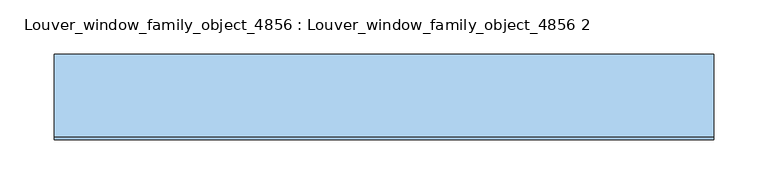
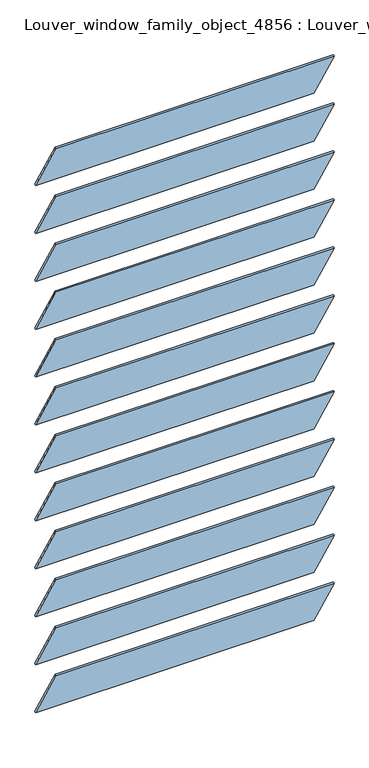
"""IFC4 building model written with IfcOpenShell, lengths in millimetres: window geometry, Louver_window_family_object_4856 : Louver_window_family_object_4856 2."""

from ifc_helpers import new_model, si_unit, point, frame, frame_2d, origin, place, context, project, spatial, polyline, circle_curve, trimmed, segment, composite_curve, outline, extrude, source, transform, mapped, element, save


def louver_window_family_object_4856_louver_window_family_object_eb8e4f56(model_context):
    return source(origin(), model_context, "Body", "SweptSolid", [
        extrude(outline(composite_curve([segment(trimmed(circle_curve(frame_2d((0.0, 2403.7636364)), 76.2), [point((-39.4665462, 2468.9466996))], [point((-36.7169155, 2470.5341996))], False, "CARTESIAN"), True, "CONTINUOUS"), segment(polyline([(-36.7169155, 2470.5341996), (39.4665462, 2338.5805731)]), True, "CONTINUOUS"), segment(trimmed(circle_curve(frame_2d((0.0, 2403.7636364)), 76.2), [point((39.4665462, 2338.5805731))], [point((36.7169155, 2336.9930731))], False, "CARTESIAN"), True, "CONTINUOUS"), segment(polyline([(36.7169155, 2336.9930731), (-39.4665462, 2468.9466996)]), True, "CONTINUOUS")], self_intersect=False)), frame((-304.8, 0.0, 0.0), z_axis=(1.0, 0.0, 0.0), x_axis=(0.0, 1.0, 0.0)), (0.0, 0.0, 1.0), 609.6),
        extrude(outline(composite_curve([segment(trimmed(circle_curve(frame_2d((0.0, 2292.9272727)), 76.2), [point((-39.4665462, 2358.1103359))], [point((-36.7169155, 2359.6978359))], False, "CARTESIAN"), True, "CONTINUOUS"), segment(polyline([(-36.7169155, 2359.6978359), (39.4665462, 2227.7442095)]), True, "CONTINUOUS"), segment(trimmed(circle_curve(frame_2d((0.0, 2292.9272727)), 76.2), [point((39.4665462, 2227.7442095))], [point((36.7169155, 2226.1567095))], False, "CARTESIAN"), True, "CONTINUOUS"), segment(polyline([(36.7169155, 2226.1567095), (-39.4665462, 2358.1103359)]), True, "CONTINUOUS")], self_intersect=False)), frame((-304.8, 0.0, 0.0), z_axis=(1.0, 0.0, 0.0), x_axis=(0.0, 1.0, 0.0)), (0.0, 0.0, 1.0), 609.6),
        extrude(outline(composite_curve([segment(trimmed(circle_curve(frame_2d((0.0, 2182.0909091)), 76.2), [point((-39.4665462, 2247.2739723))], [point((-36.7169155, 2248.8614723))], False, "CARTESIAN"), True, "CONTINUOUS"), segment(polyline([(-36.7169155, 2248.8614723), (39.4665462, 2116.9078459)]), True, "CONTINUOUS"), segment(trimmed(circle_curve(frame_2d((0.0, 2182.0909091)), 76.2), [point((39.4665462, 2116.9078459))], [point((36.7169155, 2115.3203459))], False, "CARTESIAN"), True, "CONTINUOUS"), segment(polyline([(36.7169155, 2115.3203459), (-39.4665462, 2247.2739723)]), True, "CONTINUOUS")], self_intersect=False)), frame((-304.8, 0.0, 0.0), z_axis=(1.0, 0.0, 0.0), x_axis=(0.0, 1.0, 0.0)), (0.0, 0.0, 1.0), 609.6),
        extrude(outline(composite_curve([segment(trimmed(circle_curve(frame_2d((0.0, 2071.2545455)), 76.2), [point((-39.4665462, 2136.4376087))], [point((-36.7169155, 2138.0251087))], False, "CARTESIAN"), True, "CONTINUOUS"), segment(polyline([(-36.7169155, 2138.0251087), (39.4665462, 2006.0714822)]), True, "CONTINUOUS"), segment(trimmed(circle_curve(frame_2d((0.0, 2071.2545455)), 76.2), [point((39.4665462, 2006.0714822))], [point((36.7169155, 2004.4839822))], False, "CARTESIAN"), True, "CONTINUOUS"), segment(polyline([(36.7169155, 2004.4839822), (-39.4665462, 2136.4376087)]), True, "CONTINUOUS")], self_intersect=False)), frame((-304.8, 0.0, 0.0), z_axis=(1.0, 0.0, 0.0), x_axis=(0.0, 1.0, 0.0)), (0.0, 0.0, 1.0), 609.6),
        extrude(outline(composite_curve([segment(trimmed(circle_curve(frame_2d((0.0, 1960.4181818)), 76.2), [point((-39.4665462, 2025.601245))], [point((-36.7169155, 2027.188745))], False, "CARTESIAN"), True, "CONTINUOUS"), segment(polyline([(-36.7169155, 2027.188745), (39.4665462, 1895.2351186)]), True, "CONTINUOUS"), segment(trimmed(circle_curve(frame_2d((0.0, 1960.4181818)), 76.2), [point((39.4665462, 1895.2351186))], [point((36.7169155, 1893.6476186))], False, "CARTESIAN"), True, "CONTINUOUS"), segment(polyline([(36.7169155, 1893.6476186), (-39.4665462, 2025.601245)]), True, "CONTINUOUS")], self_intersect=False)), frame((-304.8, 0.0, 0.0), z_axis=(1.0, 0.0, 0.0), x_axis=(0.0, 1.0, 0.0)), (0.0, 0.0, 1.0), 609.6),
        extrude(outline(composite_curve([segment(trimmed(circle_curve(frame_2d((0.0, 1849.5818182)), 76.2), [point((-39.4665462, 1914.7648814))], [point((-36.7169155, 1916.3523814))], False, "CARTESIAN"), True, "CONTINUOUS"), segment(polyline([(-36.7169155, 1916.3523814), (39.4665462, 1784.398755)]), True, "CONTINUOUS"), segment(trimmed(circle_curve(frame_2d((0.0, 1849.5818182)), 76.2), [point((39.4665462, 1784.398755))], [point((36.7169155, 1782.811255))], False, "CARTESIAN"), True, "CONTINUOUS"), segment(polyline([(36.7169155, 1782.811255), (-39.4665462, 1914.7648814)]), True, "CONTINUOUS")], self_intersect=False)), frame((-304.8, 0.0, 0.0), z_axis=(1.0, 0.0, 0.0), x_axis=(0.0, 1.0, 0.0)), (0.0, 0.0, 1.0), 609.6),
        extrude(outline(composite_curve([segment(trimmed(circle_curve(frame_2d((0.0, 1738.7454545)), 76.2), [point((-39.4665462, 1803.9285178))], [point((-36.7169155, 1805.5160178))], False, "CARTESIAN"), True, "CONTINUOUS"), segment(polyline([(-36.7169155, 1805.5160178), (39.4665462, 1673.5623913)]), True, "CONTINUOUS"), segment(trimmed(circle_curve(frame_2d((0.0, 1738.7454545)), 76.2), [point((39.4665462, 1673.5623913))], [point((36.7169155, 1671.9748913))], False, "CARTESIAN"), True, "CONTINUOUS"), segment(polyline([(36.7169155, 1671.9748913), (-39.4665462, 1803.9285178)]), True, "CONTINUOUS")], self_intersect=False)), frame((-304.8, 0.0, 0.0), z_axis=(1.0, 0.0, 0.0), x_axis=(0.0, 1.0, 0.0)), (0.0, 0.0, 1.0), 609.6),
        extrude(outline(composite_curve([segment(trimmed(circle_curve(frame_2d((0.0, 1627.9090909)), 76.2), [point((-39.4665462, 1693.0921541))], [point((-36.7169155, 1694.6796541))], False, "CARTESIAN"), True, "CONTINUOUS"), segment(polyline([(-36.7169155, 1694.6796541), (39.4665462, 1562.7260277)]), True, "CONTINUOUS"), segment(trimmed(circle_curve(frame_2d((0.0, 1627.9090909)), 76.2), [point((39.4665462, 1562.7260277))], [point((36.7169155, 1561.1385277))], False, "CARTESIAN"), True, "CONTINUOUS"), segment(polyline([(36.7169155, 1561.1385277), (-39.4665462, 1693.0921541)]), True, "CONTINUOUS")], self_intersect=False)), frame((-304.8, 0.0, 0.0), z_axis=(1.0, 0.0, 0.0), x_axis=(0.0, 1.0, 0.0)), (0.0, 0.0, 1.0), 609.6),
        extrude(outline(composite_curve([segment(trimmed(circle_curve(frame_2d((0.0, 1517.0727273)), 76.2), [point((-39.4665462, 1582.2557905))], [point((-36.7169155, 1583.8432905))], False, "CARTESIAN"), True, "CONTINUOUS"), segment(polyline([(-36.7169155, 1583.8432905), (39.4665462, 1451.8896641)]), True, "CONTINUOUS"), segment(trimmed(circle_curve(frame_2d((0.0, 1517.0727273)), 76.2), [point((39.4665462, 1451.8896641))], [point((36.7169155, 1450.3021641))], False, "CARTESIAN"), True, "CONTINUOUS"), segment(polyline([(36.7169155, 1450.3021641), (-39.4665462, 1582.2557905)]), True, "CONTINUOUS")], self_intersect=False)), frame((-304.8, 0.0, 0.0), z_axis=(1.0, 0.0, 0.0), x_axis=(0.0, 1.0, 0.0)), (0.0, 0.0, 1.0), 609.6),
        extrude(outline(composite_curve([segment(trimmed(circle_curve(frame_2d((0.0, 1406.2363636)), 76.2), [point((-39.4665462, 1471.4194269))], [point((-36.7169155, 1473.0069269))], False, "CARTESIAN"), True, "CONTINUOUS"), segment(polyline([(-36.7169155, 1473.0069269), (39.4665462, 1341.0533004)]), True, "CONTINUOUS"), segment(trimmed(circle_curve(frame_2d((0.0, 1406.2363636)), 76.2), [point((39.4665462, 1341.0533004))], [point((36.7169155, 1339.4658004))], False, "CARTESIAN"), True, "CONTINUOUS"), segment(polyline([(36.7169155, 1339.4658004), (-39.4665462, 1471.4194269)]), True, "CONTINUOUS")], self_intersect=False)), frame((-304.8, 0.0, 0.0), z_axis=(1.0, 0.0, 0.0), x_axis=(0.0, 1.0, 0.0)), (0.0, 0.0, 1.0), 609.6),
        extrude(outline(composite_curve([segment(trimmed(circle_curve(frame_2d((0.0, 2514.6)), 76.2), [point((-39.4665462, 2579.7830632))], [point((-36.7169155, 2581.3705632))], False, "CARTESIAN"), True, "CONTINUOUS"), segment(polyline([(-36.7169155, 2581.3705632), (39.4665462, 2449.4169368)]), True, "CONTINUOUS"), segment(trimmed(circle_curve(frame_2d((0.0, 2514.6)), 76.2), [point((39.4665462, 2449.4169368))], [point((36.7169155, 2447.8294368))], False, "CARTESIAN"), True, "CONTINUOUS"), segment(polyline([(36.7169155, 2447.8294368), (-39.4665462, 2579.7830632)]), True, "CONTINUOUS")], self_intersect=False)), frame((-304.8, 0.0, 0.0), z_axis=(1.0, 0.0, 0.0), x_axis=(0.0, 1.0, 0.0)), (0.0, 0.0, 1.0), 609.6),
        extrude(outline(composite_curve([segment(trimmed(circle_curve(frame_2d((0.0, 1295.4)), 76.2), [point((-39.4665462, 1360.5830632))], [point((-36.7169155, 1362.1705632))], False, "CARTESIAN"), True, "CONTINUOUS"), segment(polyline([(-36.7169155, 1362.1705632), (39.4665462, 1230.2169368)]), True, "CONTINUOUS"), segment(trimmed(circle_curve(frame_2d((0.0, 1295.4)), 76.2), [point((39.4665462, 1230.2169368))], [point((36.7169155, 1228.6294368))], False, "CARTESIAN"), True, "CONTINUOUS"), segment(polyline([(36.7169155, 1228.6294368), (-39.4665462, 1360.5830632)]), True, "CONTINUOUS")], self_intersect=False)), frame((-304.8, 0.0, 0.0), z_axis=(1.0, 0.0, 0.0), x_axis=(0.0, 1.0, 0.0)), (0.0, 0.0, 1.0), 609.6),
    ])


if __name__ == "__main__":
    model = new_model("IFC4")
    model_context = context("Model", 3, world=origin())
    ifc_project = project(units=[si_unit("LENGTHUNIT", "METRE", prefix="MILLI")], contexts=[model_context])
    site = spatial("IfcSite", under=ifc_project)
    building = spatial("IfcBuilding", under=site)
    placement = place(None, origin())
    louver_window_family_object_4856_louver_window_family_object_shape = louver_window_family_object_4856_louver_window_family_object_eb8e4f56(model_context)
    element("IfcWindow", 1, ObjectType="Louver_window_family_object_4856 : Louver_window_family_object_4856 2", at=placement, inside=building, context=model_context, shape_type="MappedRepresentation", body=[
        mapped(louver_window_family_object_4856_louver_window_family_object_shape, transform((0.0, 0.0, 0.0), x_axis=(1.0, 0.0, 0.0), y_axis=(0.0, 1.0, 0.0), z_axis=(0.0, 0.0, 1.0))),
    ])
    save(model, "model.ifc")
